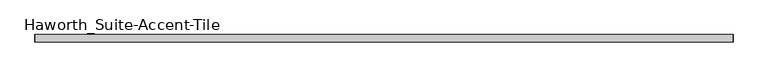
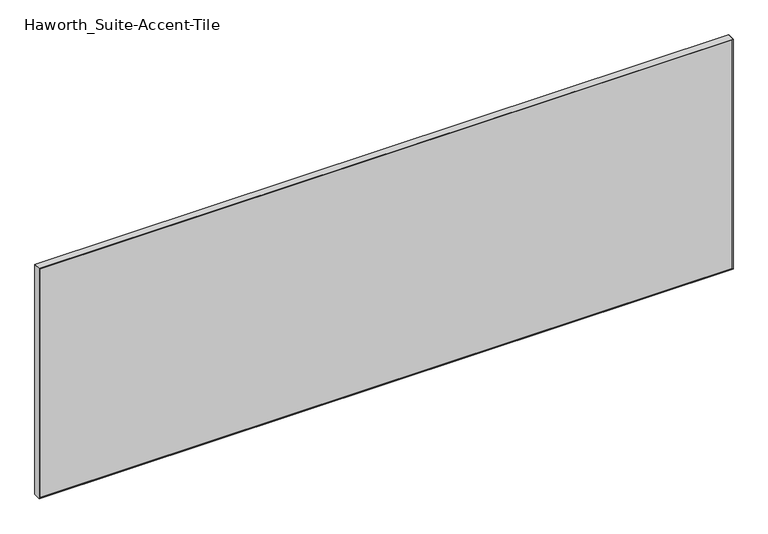
"""IFC4 building model written with IfcOpenShell, lengths in millimetres: furniture geometry, Haworth_Suite-Accent-Tile."""

import ifcopenshell
import ifcopenshell.guid

model = None  # the IFC model being written
_history = None  # IfcOwnerHistory: only IFC2X3 demands one
_inside = {}  # id of a spatial element -> (the spatial element, [elements in it])
_under = {}  # id of a project, library or spatial element -> (it, [spatial elements below it])
_declared = {}  # id of a project -> (the project, [libraries it declares])
_typed = {}  # id of a type object -> (the type object, [elements of that type])
_made_of = {}  # id of a material, layer set ... -> (it, [elements and type objects made of it])


def new_model(schema):
    """Start an empty IFC model of exactly this schema.

    Asked for "IFC4X3", IfcOpenShell would pick the latest addendum, in which some entities
    have other attributes; the version numbers below select the first issue.
    IFC2X3 requires an IfcOwnerHistory on every rooted entity: one is made here for all.
    """
    global model, _history
    if schema == "IFC4X3":
        model = ifcopenshell.file(schema_version=(4, 3, 0, 0))
    else:
        model = ifcopenshell.file(schema=schema)
    _inside.clear()
    _under.clear()
    _declared.clear()
    _typed.clear()
    _made_of.clear()
    _history = None
    if model.schema == "IFC2X3":
        org = make("IfcOrganization", Name="unknown")
        user = make(
            "IfcPersonAndOrganization",
            ThePerson=make("IfcPerson", FamilyName="unknown"),
            TheOrganization=org,
        )
        app = make(
            "IfcApplication",
            ApplicationDeveloper=org,
            Version="unknown",
            ApplicationFullName="unknown",
            ApplicationIdentifier="unknown",
        )
        _history = make(
            "IfcOwnerHistory",
            OwningUser=user,
            OwningApplication=app,
            ChangeAction="ADDED",
            CreationDate=0,
        )
    return model


def make(cls, **values):
    """One entity of the class cls with the attributes given. An attribute that is None is left unset."""
    return model.create_entity(
        cls, **{name: value for name, value in values.items() if value is not None}
    )


def rooted(cls, **values):
    """An entity with a GlobalId (a new one), such as an element, a storey or a relation."""
    return make(cls, GlobalId=ifcopenshell.guid.new(), OwnerHistory=_history, **values)


def si_unit(unit_type, name, prefix=None):
    """IfcSIUnit, for example si_unit("LENGTHUNIT", "METRE", prefix="MILLI")."""
    return make("IfcSIUnit", UnitType=unit_type, Prefix=prefix, Name=name)


def assignment(units):
    """IfcUnitAssignment: the units of a project."""
    return None if units is None else make("IfcUnitAssignment", Units=units)


def point(xyz):
    """IfcCartesianPoint."""
    return None if xyz is None else make("IfcCartesianPoint", Coordinates=xyz)


def direction(xyz):
    """IfcDirection."""
    return None if xyz is None else make("IfcDirection", DirectionRatios=xyz)


def frame(location, z_axis=None, x_axis=None):
    """IfcAxis2Placement3D, a coordinate frame: its origin and axes. An axis left out is left unset."""
    return make(
        "IfcAxis2Placement3D",
        Location=point(location),
        Axis=direction(z_axis),
        RefDirection=direction(x_axis),
    )


def origin():
    """The frame at (0, 0, 0) with its axes left unset."""
    return frame((0.0, 0.0, 0.0))


def place(relative_to, where):
    """IfcLocalPlacement: puts the frame where relative to a parent placement (None: the world)."""
    return make(
        "IfcLocalPlacement", PlacementRelTo=relative_to, RelativePlacement=where
    )


def context(
    kind, dimensions, precision=None, world=None, true_north=None, identifier=None
):
    """IfcGeometricRepresentationContext, for example the 3D "Model" context."""
    return make(
        "IfcGeometricRepresentationContext",
        ContextIdentifier=identifier,
        ContextType=kind,
        CoordinateSpaceDimension=dimensions,
        Precision=precision,
        WorldCoordinateSystem=world,
        TrueNorth=true_north,
    )


def project(units=None, contexts=None):
    """IfcProject with its units and contexts."""
    return rooted(
        "IfcProject",
        Name="project",
        RepresentationContexts=contexts,
        UnitsInContext=assignment(units),
    )


def spatial(cls, under=None, at=None, **own):
    """A site, building, storey or space (cls), placed at a placement, below another one or the project."""
    s = rooted(cls, ObjectPlacement=at, **own)
    if under is not None:
        _under.setdefault(under.id(), (under, []))[1].append(s)
    return s


def polyline(points):
    """IfcPolyline through the points."""
    return make("IfcPolyline", Points=[point(p) for p in points])


def outline(outer, holes=None, kind="AREA"):
    """IfcArbitraryClosedProfileDef: a profile drawn as a closed curve; with holes, ...WithVoids."""
    if holes is None:
        return make("IfcArbitraryClosedProfileDef", ProfileType=kind, OuterCurve=outer)
    return make(
        "IfcArbitraryProfileDefWithVoids",
        ProfileType=kind,
        OuterCurve=outer,
        InnerCurves=holes,
    )


def extrude(swept, where, along, depth):
    """IfcExtrudedAreaSolid: the profile swept, set in the frame where, extruded along a direction by depth."""
    return make(
        "IfcExtrudedAreaSolid",
        SweptArea=swept,
        Position=where,
        ExtrudedDirection=direction(along),
        Depth=depth,
    )


def shape(context_of_items, identifier, shape_type, items):
    """IfcShapeRepresentation: the items that make up one representation, for example the "Body"."""
    return make(
        "IfcShapeRepresentation",
        ContextOfItems=context_of_items,
        RepresentationIdentifier=identifier,
        RepresentationType=shape_type,
        Items=items,
    )


def source(mapping_origin, context_of_items, identifier, shape_type, items):
    """IfcRepresentationMap: a shape defined once, which mapped items show again and again."""
    return make(
        "IfcRepresentationMap",
        MappingOrigin=mapping_origin,
        MappedRepresentation=shape(context_of_items, identifier, shape_type, items),
    )


def transform(
    local_origin,
    x_axis=None,
    y_axis=None,
    z_axis=None,
    scale=None,
    scale2=None,
    scale3=None,
    uniform=True,
):
    """IfcCartesianTransformationOperator3D, or its non-uniform kind. x_axis, y_axis, z_axis: its Axis1, 2, 3."""
    if uniform:
        return make(
            "IfcCartesianTransformationOperator3D",
            Axis1=direction(x_axis),
            Axis2=direction(y_axis),
            LocalOrigin=point(local_origin),
            Scale=scale,
            Axis3=direction(z_axis),
        )
    return make(
        "IfcCartesianTransformationOperator3DnonUniform",
        Axis1=direction(x_axis),
        Axis2=direction(y_axis),
        LocalOrigin=point(local_origin),
        Scale=scale,
        Axis3=direction(z_axis),
        Scale2=scale2,
        Scale3=scale3,
    )


def mapped(mapping_source, mapping_target):
    """IfcMappedItem: shows the shape of a source again, moved by a transform."""
    return make(
        "IfcMappedItem", MappingSource=mapping_source, MappingTarget=mapping_target
    )


def made_of(thing, what):
    """Note that an element or type object is made of a material, layer set ...; save() writes the relation."""
    if what is not None:
        _made_of.setdefault(what.id(), (what, []))[1].append(thing)
    return thing


def element(
    cls,
    number,
    at=None,
    inside=None,
    cuts=None,
    type_object=None,
    material=None,
    context=None,
    identifier="Body",
    shape_type=None,
    held_by="IfcProductDefinitionShape",
    body=None,
    shapes=None,
    **own,
):
    """One element of the class cls, such as IfcWall. Its Tag is "e" and its number.

    at: its placement. inside: the storey or other place that contains it. cuts: it is an
    opening in that element (IfcRelVoidsElement). A single representation is given by context,
    identifier, shape_type and body (its items); several are given by shapes. held_by: the class
    of the entity that holds the representations. save() writes the other relations.
    """
    e = rooted(cls, Tag="e%d" % number, ObjectPlacement=at, **own)
    if body is not None:
        shapes = [shape(context, identifier, shape_type, body)]
    if shapes is not None:
        e.Representation = make(held_by, Representations=shapes)
    if inside is not None:
        _inside.setdefault(inside.id(), (inside, []))[1].append(e)
    if cuts is not None:
        rooted(
            "IfcRelVoidsElement", RelatingBuildingElement=cuts, RelatedOpeningElement=e
        )
    if type_object is not None:
        _typed.setdefault(type_object.id(), (type_object, []))[1].append(e)
    return made_of(e, material)


def aggregate(whole, parts):
    """IfcRelAggregates: a whole, such as a stair, and the parts it consists of."""
    return rooted("IfcRelAggregates", RelatingObject=whole, RelatedObjects=parts)


def save(model, path):
    """Write the relations noted so far, then the file.

    IfcRelAggregates (storeys below a building ...), IfcRelContainedInSpatialStructure (elements
    in a storey), IfcRelDefinesByType, IfcRelAssociatesMaterial and IfcRelDeclares: one each for
    every whole, place, type object, material and project.
    """
    for whole, parts in _under.values():
        aggregate(whole, parts)
    for where, things in _inside.values():
        rooted(
            "IfcRelContainedInSpatialStructure",
            RelatedElements=things,
            RelatingStructure=where,
        )
    for kind, things in _typed.values():
        rooted("IfcRelDefinesByType", RelatedObjects=things, RelatingType=kind)
    for what, things in _made_of.values():
        rooted("IfcRelAssociatesMaterial", RelatedObjects=things, RelatingMaterial=what)
    for by, libraries in _declared.values():
        rooted("IfcRelDeclares", RelatingContext=by, RelatedDefinitions=libraries)
    model.write(path)


def haworth_suite_accent_tile_795b8943(model_context):
    return source(origin(), model_context, "Body", "SweptSolid", [
        extrude(outline(polyline([(1231.9, -927.1), (590.55, -927.1), (592.1375, -925.5125), (1230.3125, -925.5125), (1231.9, -927.1)])), frame((0.0, -31.75, 0.0), z_axis=(0.0, 1.0, 0.0), x_axis=(0.0, 0.0, 1.0)), (0.0, 0.0, 1.0), 19.05),
        extrude(outline(polyline([(1231.9, 901.7), (1230.3125, 900.1125), (592.1375, 900.1125), (590.55, 901.7), (1231.9, 901.7)])), frame((0.0, -31.75, 0.0), z_axis=(0.0, 1.0, 0.0), x_axis=(0.0, 0.0, 1.0)), (0.0, 0.0, 1.0), 19.05),
        extrude(outline(polyline([(1230.3125, -925.5125), (1230.3125, 900.1125), (1231.9, 901.7), (1231.9, -927.1), (1230.3125, -925.5125)])), frame((0.0, -31.75, 0.0), z_axis=(0.0, 1.0, 0.0), x_axis=(0.0, 0.0, 1.0)), (0.0, 0.0, 1.0), 19.05),
        extrude(outline(polyline([(592.1375, -925.5125), (590.55, -927.1), (590.55, 901.7), (592.1375, 900.1125), (592.1375, -925.5125)])), frame((0.0, -31.75, 0.0), z_axis=(0.0, 1.0, 0.0), x_axis=(0.0, 0.0, 1.0)), (0.0, 0.0, 1.0), 19.05),
        extrude(outline(polyline([(900.1125, -13.49375), (900.1125, -30.95625), (-925.5125, -30.95625), (-925.5125, -13.49375), (900.1125, -13.49375)])), frame((0.0, 0.0, 592.1375), z_axis=(0.0, 0.0, 1.0), x_axis=(1.0, 0.0, 0.0)), (0.0, 0.0, 1.0), 638.175),
    ])


if __name__ == "__main__":
    model = new_model("IFC4")
    model_context = context("Model", 3, world=origin())
    ifc_project = project(units=[si_unit("LENGTHUNIT", "METRE", prefix="MILLI")], contexts=[model_context])
    site = spatial("IfcSite", under=ifc_project)
    building = spatial("IfcBuilding", under=site)
    placement = place(None, origin())
    haworth_suite_accent_tile_shape = haworth_suite_accent_tile_795b8943(model_context)
    element("IfcFurniture", 1, ObjectType="Haworth_Suite-Accent-Tile", at=placement, inside=building, context=model_context, shape_type="MappedRepresentation", body=[
        mapped(haworth_suite_accent_tile_shape, transform((0.0, 0.0, 0.0), x_axis=(1.0, 0.0, 0.0), y_axis=(0.0, 1.0, 0.0), z_axis=(0.0, 0.0, 1.0))),
    ])
    save(model, "model.ifc")
